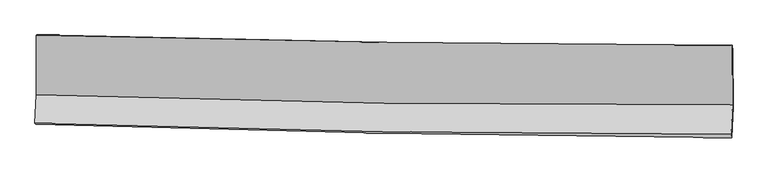
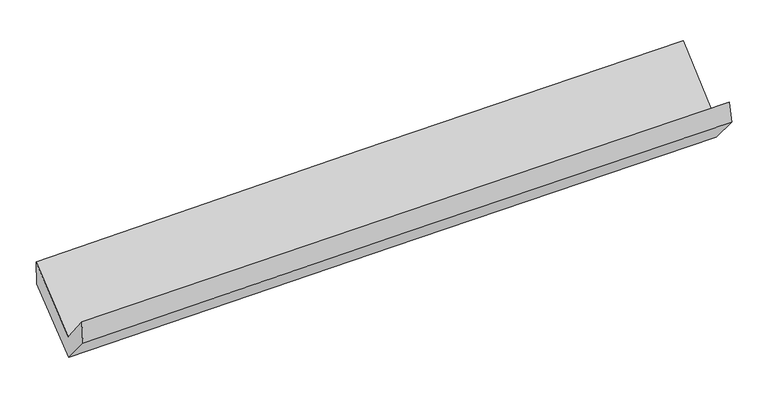
"""IFC4 building model written with IfcOpenShell, lengths in millimetres: proxy geometry."""

from ifc_helpers import new_model, si_unit, frame, origin, place, context, project, spatial, source, transform, mapped, element, save
from ifc_brep_helpers import plane_surface, spline_curve, spline_surface, advanced_brep


def generic_models_6527bc27(model_context):
    return source(origin(), model_context, "Body", "AdvancedBrep", [
        advanced_brep(
        [(-3025.6461157, -1165.5398096, 2182.559885), (-3023.9258569, -1684.4937781, 1752.6947669), (3014.4281692, -1770.0307384, 1874.2625178), (3012.02924, -1253.9504365, 2327.7035906), (-3036.5099676, -1931.2358867, 2053.7873501), (3001.4622535, -2024.2590624, 2184.490323), (-3030.93912, -1937.4755196, 1839.2865403), (3005.5765647, -2058.2238908, 2005.4255756), (-3018.2356083, -1681.672003, 1540.06352), (3019.0920551, -1786.2331633, 1686.9621737), (-3019.7173994, -1164.1810947, 1959.9055095), (3017.355337, -1298.3293602, 2095.6103332)],
        [
            (0, 1),
            (1, 2, spline_curve(3, [(-3023.9258569, -1684.4937781, 1752.6947669), (-2018.38800725, -1719.806280772, 1791.708146505), (-1012.440585104, -1744.59073152, 1821.345456029), (1000.344032687, -1773.104529426, 1861.86935575), (2007.181286094, -1776.83239877, 1872.754630067), (3014.4281692, -1770.0307384, 1874.2625178)], [4, 2, 4], [0.0, 9.9088289606907, 19.818353345140284])),
            (2, 3),
            (3, 0, spline_curve(3, [(3012.02924, -1253.9504365, 2327.7035906), (2005.097040447, -1251.877412225, 2320.568568875), (998.473683554, -1243.472867119, 2304.905025565), (-1014.084724909, -1214.001769418, 2256.522593169), (-2020.019819843, -1192.936105546, 2223.804901337), (-3025.6461157, -1165.5398096, 2182.559885)], [4, 2, 4], [0.0, 9.909524384449584, 19.818353345140284])),
            (1, 4),
            (4, 5, spline_curve(3, [(-3036.5099676, -1931.2358867, 2053.7873501), (-2030.800794788, -1963.189184515, 2088.701584787), (-1024.799523092, -1986.91778106, 2117.050464491), (987.857842809, -2017.926660839, 2160.619043725), (1994.513978121, -2025.205789356, 2175.837821586), (3001.4622535, -2024.2590624, 2184.490323)], [4, 2, 4], [0.0, 9.908874580665477, 19.818444588291552])),
            (5, 2),
            (4, 6),
            (6, 7, spline_curve(3, [(-3030.93912, -1937.4755196, 1839.2865403), (-2025.542711138, -1970.233215142, 1885.431370479), (-1019.819196308, -1996.674296111, 1922.348542995), (992.352652789, -2036.924639669, 1977.729516917), (1998.80103264, -2050.733015943, 1996.192022537), (3005.5765647, -2058.2238908, 2005.4255756)], [4, 2, 4], [0.0, 9.908373425327886, 19.817442242444166])),
            (7, 5),
            (6, 8),
            (8, 9, spline_curve(3, [(-3018.2356083, -1681.672003, 1540.06352), (-2012.004143531, -1697.701395823, 1566.478128409), (-1005.795425739, -1714.429192034, 1591.926591483), (1006.647132119, -1749.282814175, 1640.892944941), (2012.880968837, -1767.408737856, 1664.410699681), (3019.0920551, -1786.2331633, 1686.9621737)], [4, 2, 4], [0.0, 9.907955637721425, 19.816606637909977])),
            (9, 7),
            (8, 10),
            (10, 11, spline_curve(3, [(-3019.7173994, -1164.1810947, 1959.9055095), (-2013.644020336, -1184.67946271, 1989.139489594), (-1007.535590438, -1206.107243673, 2015.064934259), (1004.821983435, -1250.823202005, 2060.300339646), (2011.071132647, -1274.111509289, 2079.609836359), (3017.355337, -1298.3293602, 2095.6103332)], [4, 2, 4], [0.0, 9.907872973100453, 19.816441302866444])),
            (11, 9),
            (10, 0),
            (3, 11),
        ],
        [
            spline_surface(3, 3, [[(-3025.6461157, -1165.5398096, 2182.559885), (-2020.019819894, -1192.936105624, 2223.804901459), (-1014.084724947, -1214.001769485, 2256.522593288), (998.473683592, -1243.472867052, 2304.905025446), (2005.097040576, -1251.877412211, 2320.568568852), (3012.02924, -1253.9504365, 2327.7035906)], [(-3025.072696104, -1338.524465762, 2039.271512308), (-2019.475882362, -1368.559497348, 2079.772649859), (-1013.536678331, -1390.864756816, 2111.463547514), (999.097133316, -1420.016754491, 2157.226468867), (2005.79178904, -1426.862407754, 2171.297255931), (3012.828883068, -1425.977203798, 2176.556566357)], [(-3024.499276496, -1511.509121938, 1895.983139592), (-2018.931944818, -1544.182889085, 1935.740398236), (-1012.988631756, -1567.727744196, 1966.404501792), (999.720583, -1596.56064198, 2009.54791234), (2006.486537502, -1601.847403305, 2022.02594294), (3013.628526132, -1598.003971102, 2025.409542043)], [(-3023.9258569, -1684.4937781, 1752.6947669), (-2018.388007287, -1719.806280808, 1791.708146637), (-1012.440585141, -1744.590731527, 1821.345456017), (1000.344032724, -1773.104529419, 1861.869355762), (2007.181285966, -1776.832398849, 1872.754630019), (3014.4281692, -1770.0307384, 1874.2625178)]], [4, 4], [4, 2, 4], [0.0, 2.2583874673363], [0.0, 9.9088289606907, 19.818353345140284]),
            spline_surface(3, 3, [[(-3023.9258569, -1684.4937781, 1752.6947669), (-2018.388007287, -1719.806280808, 1791.708146637), (-1012.440585141, -1744.590731527, 1821.345456017), (1000.344032724, -1773.104529419, 1861.869355762), (2007.181285966, -1776.832398849, 1872.754630019), (3014.4281692, -1770.0307384, 1874.2625178)], [(-3028.120560483, -1766.741147639, 1853.058961292), (-2022.52560319, -1800.933915329, 1890.705959299), (-1016.560231151, -1825.366414728, 1919.913792201), (996.181969435, -1854.711906564, 1961.452585104), (2002.95885001, -1859.623529031, 1973.782360511), (3010.106197292, -1854.773513091, 1977.671786207)], [(-3032.315264017, -1848.988517161, 1953.423155708), (-2026.663199042, -1882.061549832, 1989.703771985), (-1020.679877146, -1906.142097886, 2018.482128314), (992.019906162, -1936.319283666, 2061.035814376), (1998.736414078, -1942.414659139, 2074.810090984), (3005.784225408, -1939.516287709, 2081.081054593)], [(-3036.5099676, -1931.2358867, 2053.7873501), (-2030.800794945, -1963.189184353, 2088.701584647), (-1024.799523156, -1986.917781087, 2117.050464498), (987.857842873, -2017.926660811, 2160.619043719), (1994.513978122, -2025.205789321, 2175.837821476), (3001.4622535, -2024.2590624, 2184.490323)]], [4, 4], [4, 2, 4], [0.0, 1.2614268530660704], [0.0, 9.908874580665477, 19.818444588291552]),
            spline_surface(3, 3, [[(-3036.5099676, -1931.2358867, 2053.7873501), (-2030.800794945, -1963.189184353, 2088.701584647), (-1024.799523156, -1986.917781087, 2117.050464498), (987.857842873, -2017.926660811, 2160.619043719), (1994.513978122, -2025.205789321, 2175.837821476), (3001.4622535, -2024.2590624, 2184.490323)], [(-3034.653018373, -1933.31576433, 1982.287080166), (-2029.048100332, -1965.537194662, 2020.944846572), (-1023.139414183, -1990.169952711, 2052.149824017), (989.356112832, -2024.25932043, 2099.655868062), (1995.942996345, -2033.714864898, 2115.955888482), (3002.833690599, -2035.580671849, 2124.802073834)], [(-3032.796069227, -1935.39564197, 1910.786810234), (-2027.2954058, -1967.885204982, 1953.188108499), (-1021.479305226, -1993.422124412, 1987.249183589), (990.854382775, -2030.591980125, 2038.69269246), (1997.372014472, -2042.223940528, 2056.073955584), (3004.205127601, -2046.902281351, 2065.113824766)], [(-3030.93912, -1937.4755196, 1839.2865403), (-2025.542711186, -1970.233215292, 1885.431370424), (-1019.819196253, -1996.674296037, 1922.348543109), (992.352652734, -2036.924639743, 1977.729516803), (1998.801032695, -2050.733016104, 1996.19202259), (3005.5765647, -2058.2238908, 2005.4255756)]], [4, 4], [4, 2, 4], [0.0, 0.6213951287994893], [0.0, 9.908373425327886, 19.817442242444166]),
            spline_surface(3, 3, [[(-3030.93912, -1937.4755196, 1839.2865403), (-2025.542711186, -1970.233215292, 1885.431370424), (-1019.819196253, -1996.674296037, 1922.348543109), (992.352652734, -2036.924639743, 1977.729516803), (1998.801032695, -2050.733016104, 1996.19202259), (3005.5765647, -2058.2238908, 2005.4255756)], [(-3026.704616123, -1852.207680708, 1739.545533537), (-2021.029855288, -1879.389275455, 1779.113623082), (-1015.144606078, -1902.592594707, 1812.207892552), (997.117479141, -1941.04403121, 1865.450659516), (2003.494344688, -1956.291590091, 1885.59824834), (3010.081728165, -1967.56031499, 1899.271108306)], [(-3022.470112177, -1766.939841892, 1639.804526763), (-2016.516999322, -1788.545335694, 1672.795875729), (-1010.470015827, -1808.510893387, 1702.067242018), (1001.882305625, -1845.163422685, 1753.17180225), (2008.187656685, -1861.850164007, 1775.004474072), (3014.586891635, -1876.89673911, 1793.116640994)], [(-3018.2356083, -1681.672003, 1540.06352), (-2012.004143424, -1697.701395857, 1566.478128387), (-1005.795425652, -1714.429192058, 1591.926591462), (1006.647132032, -1749.282814152, 1640.892944962), (2012.880968678, -1767.408737994, 1664.410699822), (3019.0920551, -1786.2331633, 1686.9621737)]], [4, 4], [4, 2, 4], [0.0, 1.4402177204596438], [0.0, 9.907955637721425, 19.816606637909977]),
            spline_surface(3, 3, [[(-3018.2356083, -1681.672003, 1540.06352), (-2012.004143424, -1697.701395857, 1566.478128387), (-1005.795425652, -1714.429192058, 1591.926591462), (1006.647132032, -1749.282814152, 1640.892944962), (2012.880968678, -1767.408737994, 1664.410699822), (3019.0920551, -1786.2331633, 1686.9621737)], [(-3018.729538644, -1509.175033591, 1680.01084981), (-2012.550768991, -1526.694084803, 1707.365248743), (-1006.375480568, -1544.98854267, 1732.972705682), (1006.038749173, -1583.129610075, 1780.695409908), (2012.277689929, -1602.976328369, 1802.81041203), (3018.513149039, -1623.598562247, 1823.178226889)], [(-3019.223469056, -1336.678064109, 1819.95817969), (-2013.097394625, -1355.686773677, 1848.252369168), (-1006.955535513, -1375.547893214, 1874.018819893), (1005.430366285, -1416.976405929, 1920.497874846), (2011.674411262, -1438.543918802, 1941.210124172), (3017.934243061, -1460.963961253, 1959.394280011)], [(-3019.7173994, -1164.1810947, 1959.9055095), (-2013.644020192, -1184.679462624, 1989.139489524), (-1007.535590429, -1206.107243827, 2015.064934113), (1004.821983426, -1250.823201851, 2060.300339792), (2011.071132513, -1274.111509177, 2079.60983638), (3017.355337, -1298.3293602, 2095.6103332)]], [4, 4], [4, 2, 4], [0.0, 2.1535804603270052], [0.0, 9.907872973100453, 19.816441302866444]),
            spline_surface(3, 3, [[(-3019.7173994, -1164.1810947, 1959.9055095), (-2013.644020192, -1184.679462624, 1989.139489524), (-1007.535590429, -1206.107243827, 2015.064934113), (1004.821983426, -1250.823201851, 2060.300339792), (2011.071132513, -1274.111509177, 2079.60983638), (3017.355337, -1298.3293602, 2095.6103332)], [(-3021.693638173, -1164.63399967, 2034.123634687), (-2015.769286765, -1187.431676961, 2067.361293522), (-1009.718635266, -1208.738752387, 2095.550820521), (1002.705883484, -1248.373090259, 2141.835235026), (2009.079768538, -1266.700143514, 2159.929413845), (3015.579971337, -1283.536385625, 2172.974752307)], [(-3023.669876927, -1165.08690463, 2108.341759813), (-2017.89455332, -1190.183891287, 2145.58309746), (-1011.90168011, -1211.370260924, 2176.03670688), (1000.589783534, -1245.922978644, 2223.370130211), (2007.088404551, -1259.288777874, 2240.248991387), (3013.804605663, -1268.743411075, 2250.339171493)], [(-3025.6461157, -1165.5398096, 2182.559885), (-2020.019819894, -1192.936105624, 2223.804901459), (-1014.084724947, -1214.001769485, 2256.522593288), (998.473683592, -1243.472867052, 2304.905025446), (2005.097040576, -1251.877412211, 2320.568568852), (3012.02924, -1253.9504365, 2327.7035906)]], [4, 4], [4, 2, 4], [0.0, 0.7976278743047495], [0.0, 9.908047731324357, 19.816790831579176]),
            plane_surface(frame((3011.6572699, -1698.5044419, 2029.0757523), z_axis=(0.9994750679253668, -0.018637403583402427, 0.02649973175813242), x_axis=(-0.002728832839318337, 0.7666228951430478, 0.6420918081659559))),
            plane_surface(frame((-3025.8290113, -1594.099682, 1888.0495953), z_axis=(-0.9994750679254123, 0.01863740358260103, -0.026499731756985036), x_axis=(0.026617511382688468, 0.006100074224868008, -0.9996270790561067))),
        ],
        [
            (0, [[1, 2, 3, 4]]),
            (1, [[5, 6, 7, -2]]),
            (2, [[8, 9, 10, -6]]),
            (3, [[11, 12, 13, -9]]),
            (4, [[14, 15, 16, -12]]),
            (5, [[17, -4, 18, -15]]),
            (6, [[-16, -18, -3, -7, -10, -13]]),
            (7, [[-17, -14, -11, -8, -5, -1]]),
        ],
    ),
    ])


if __name__ == "__main__":
    model = new_model("IFC4")
    model_context = context("Model", 3, world=origin())
    ifc_project = project(units=[si_unit("LENGTHUNIT", "METRE", prefix="MILLI")], contexts=[model_context])
    site = spatial("IfcSite", under=ifc_project)
    building = spatial("IfcBuilding", under=site)
    placement = place(None, origin())
    generic_models_shape = generic_models_6527bc27(model_context)
    element("IfcBuildingElementProxy", 1, Name="Generic Models", at=placement, inside=building, context=model_context, shape_type="MappedRepresentation", body=[
        mapped(generic_models_shape, transform((0.0, 0.0, 0.0), x_axis=(1.0, 0.0, 0.0), y_axis=(0.0, 1.0, 0.0), z_axis=(0.0, 0.0, 1.0))),
    ])
    save(model, "model.ifc")
